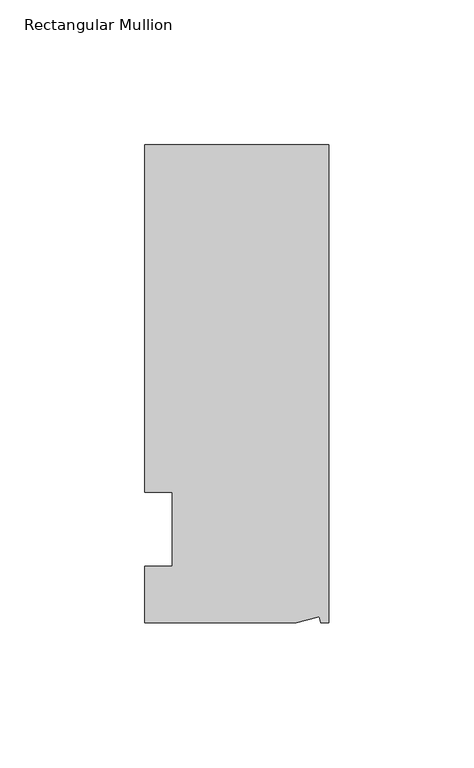
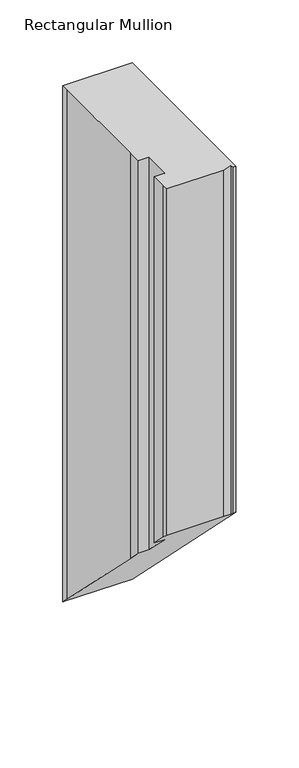
"""IFC4 building model written with IfcOpenShell, lengths in millimetres: member geometry, Rectangular Mullion."""

from ifc_helpers import new_model, si_unit, origin, place, context, project, spatial, faceted_brep, source, transform, mapped, element, save


def rectangular_mullion_fa22b4b5(model_context):
    return source(origin(), model_context, "Body", "Brep", [
        faceted_brep([(-3.3457217, -17.5748952, 0.0), (-11.1265412, -19.6597595, 0.0), (-11.1265412, -19.6597595, -335.9402405), (-3.3457217, -17.5748952, -338.0251048), (-2.787084, -19.6597595, 0.0), (-2.787084, -19.6597595, -335.9402405), (0.0, -19.6597595, 0.0), (0.0, -19.6597595, -335.9402405), (0.0, 145.4402405, 0.0), (0.0, 145.4402405, -501.0402405), (-63.5, 145.4402405, 0.0), (-63.5, 145.4402405, -501.0402405), (-63.5, 139.0912527, 0.0), (-63.5, 139.0912527, -494.6912527), (-63.5, 38.3358837, 0.0), (-63.5, 38.3358837, -393.9358837), (-53.975, 25.4, 0.0), (-63.5, 25.4, 0.0), (-63.5, 25.4, -381.0), (-53.975, 25.4, -381.0), (-53.975, 0.0, 0.0), (-53.975, 0.0, -355.6), (-63.5, 0.0, 0.0), (-63.5, 0.0, -355.6), (-63.5, -13.6146679, 0.0), (-63.5, -13.6146679, -341.9853321), (-63.5, -19.6597595, 0.0), (-63.5, -19.6597595, -335.9402405)], [[[0, 1, 2, 3]], [[4, 0, 3, 5]], [[6, 4, 5, 7]], [[8, 6, 7, 9]], [[10, 8, 9, 11]], [[12, 10, 11, 13]], [[14, 12, 13, 15]], [[16, 17, 18, 19]], [[20, 16, 19, 21]], [[22, 20, 21, 23]], [[24, 22, 23, 25]], [[1, 26, 27, 2]], [[1, 0, 4, 6, 8, 10, 12, 14, 17, 16, 20, 22, 24, 26]], [[2, 27, 25, 23, 21, 19, 18, 15, 13, 11, 9, 7, 5, 3]], [[17, 14, 15, 18]], [[26, 24, 25, 27]]]),
    ])


if __name__ == "__main__":
    model = new_model("IFC4")
    model_context = context("Model", 3, world=origin())
    ifc_project = project(units=[si_unit("LENGTHUNIT", "METRE", prefix="MILLI")], contexts=[model_context])
    site = spatial("IfcSite", under=ifc_project)
    building = spatial("IfcBuilding", under=site)
    placement = place(None, origin())
    rectangular_mullion_shape = rectangular_mullion_fa22b4b5(model_context)
    element("IfcMember", 1, ObjectType="Rectangular Mullion", at=placement, inside=building, context=model_context, shape_type="MappedRepresentation", body=[
        mapped(rectangular_mullion_shape, transform((0.0, 0.0, 0.0), x_axis=(1.0, 0.0, 0.0), y_axis=(0.0, 1.0, 0.0), z_axis=(0.0, 0.0, 1.0))),
    ])
    save(model, "model.ifc")
